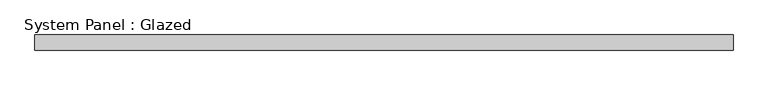
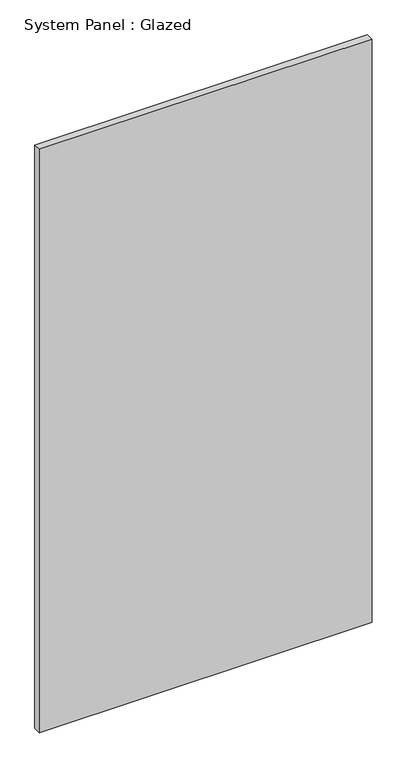
"""IFC4 building model written with IfcOpenShell, lengths in millimetres: plate geometry, System Panel : Glazed."""

from ifc_helpers import new_model, si_unit, origin, origin_with_axes, place, context, project, spatial, polyline, outline, extrude, source, transform, mapped, element, save


def system_panel_glazed_6236732d(model_context):
    return source(origin(), model_context, "Body", "SweptSolid", [
        extrude(outline(polyline([(573.2875, 19.05), (-573.2875, 19.05), (-573.2875, 44.45), (573.2875, 44.45), (573.2875, 19.05)])), origin_with_axes(), (0.0, 0.0, 1.0), 2124.7825779),
    ])


if __name__ == "__main__":
    model = new_model("IFC4")
    model_context = context("Model", 3, world=origin())
    ifc_project = project(units=[si_unit("LENGTHUNIT", "METRE", prefix="MILLI")], contexts=[model_context])
    site = spatial("IfcSite", under=ifc_project)
    building = spatial("IfcBuilding", under=site)
    placement = place(None, origin())
    system_panel_glazed_shape = system_panel_glazed_6236732d(model_context)
    element("IfcPlate", 1, ObjectType="System Panel : Glazed", at=placement, inside=building, context=model_context, shape_type="MappedRepresentation", body=[
        mapped(system_panel_glazed_shape, transform((0.0, 0.0, 0.0), x_axis=(1.0, 0.0, 0.0), y_axis=(0.0, 1.0, 0.0), z_axis=(0.0, 0.0, 1.0))),
    ])
    save(model, "model.ifc")
